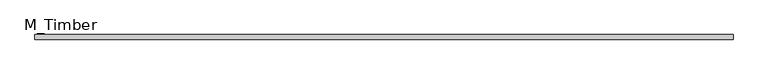
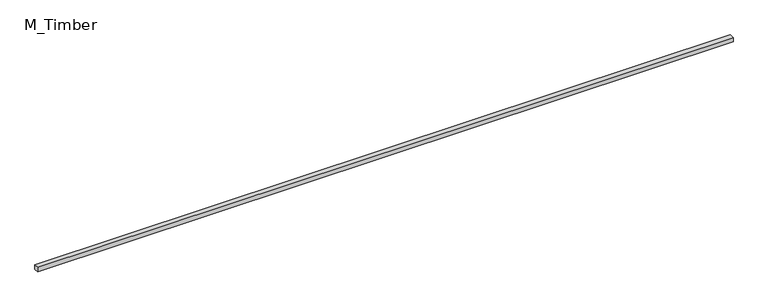
"""IFC4 building model written with IfcOpenShell, lengths in millimetres: beam geometry, M_Timber."""

from ifc_helpers import new_model, si_unit, frame, origin, place, context, project, spatial, polyline, outline, extrude, source, transform, mapped, element, save


def m_timber_e4c4b957(model_context):
    return source(origin(), model_context, "Body", "SweptSolid", [
        extrude(outline(polyline([(3029.3631287, 20.0), (3029.3631287, -20.0), (-3029.3631287, -20.0), (-3029.3631287, 20.0), (3029.3631287, 20.0)])), frame((0.0, 0.0, -20.0), z_axis=(0.0, 0.0, 1.0), x_axis=(1.0, 0.0, 0.0)), (0.0, 0.0, 1.0), 40.0),
    ])


if __name__ == "__main__":
    model = new_model("IFC4")
    model_context = context("Model", 3, world=origin())
    ifc_project = project(units=[si_unit("LENGTHUNIT", "METRE", prefix="MILLI")], contexts=[model_context])
    site = spatial("IfcSite", under=ifc_project)
    building = spatial("IfcBuilding", under=site)
    placement = place(None, origin())
    m_timber_shape = m_timber_e4c4b957(model_context)
    element("IfcBeam", 1, ObjectType="M_Timber", at=placement, inside=building, context=model_context, shape_type="MappedRepresentation", body=[
        mapped(m_timber_shape, transform((0.0, 0.0, 0.0), x_axis=(1.0, 0.0, 0.0), y_axis=(0.0, 1.0, 0.0), z_axis=(0.0, 0.0, 1.0))),
    ])
    save(model, "model.ifc")
